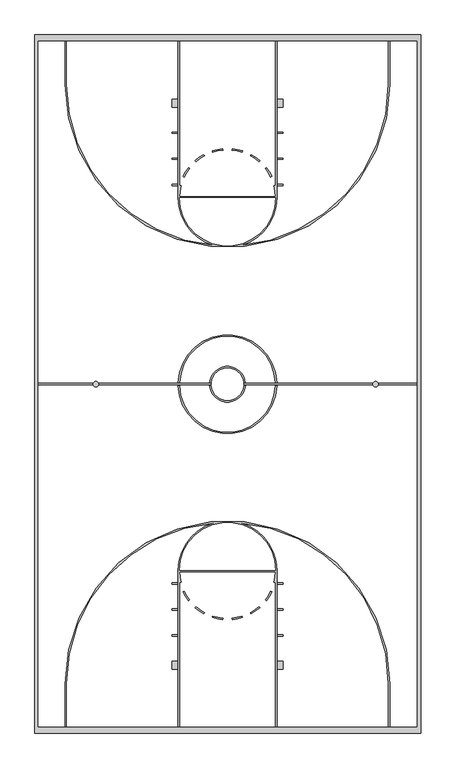
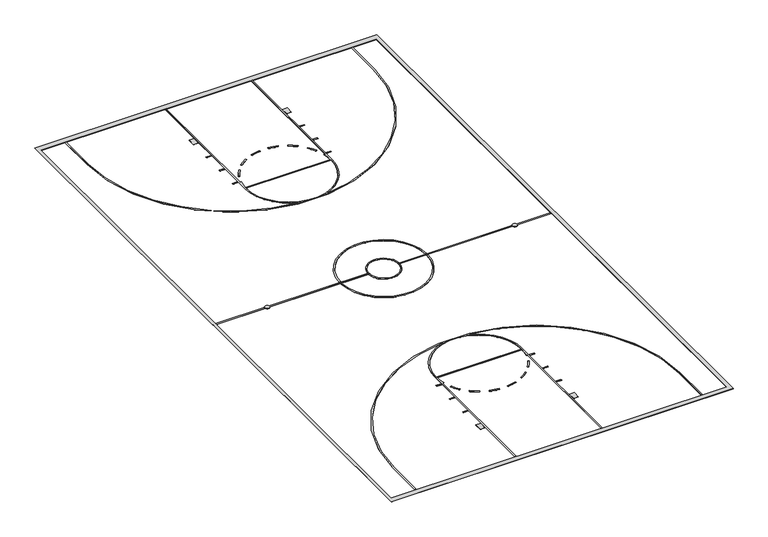
"""IFC4 building model written with IfcOpenShell, lengths in millimetres: proxy geometry."""

from ifc_helpers import new_model, si_unit, point, frame_2d, origin, origin_with_axes, place, context, project, spatial, polyline, circle_curve, trimmed, segment, composite_curve, outline, extrude, source, transform, mapped, element, save


def generic_models_25fa9269(model_context):
    return source(origin(), model_context, "Body", "SweptSolid", [
        extrude(outline(composite_curve([segment(trimmed(circle_curve(frame_2d((-4841.5204896, -1778.7417923)), 101.6), [point((-4739.9204896, -1778.7417923))], [point((-4943.1204896, -1778.7417923))], False, "CARTESIAN"), True, "CONTINUOUS"), segment(trimmed(circle_curve(frame_2d((-4841.5204896, -1778.7417923)), 101.6), [point((-4943.1204896, -1778.7417923))], [point((-4739.9204896, -1778.7417923))], False, "CARTESIAN"), True, "CONTINUOUS")], self_intersect=False)), origin_with_axes(), (0.0, 0.0, 1.0), 6.35),
        extrude(outline(composite_curve([segment(trimmed(circle_curve(frame_2d((5521.6795079, -1778.7417923)), 101.6), [point((5420.0795079, -1778.7417923))], [point((5623.2795078, -1778.7417923))], False, "CARTESIAN"), True, "CONTINUOUS"), segment(trimmed(circle_curve(frame_2d((5521.6795079, -1778.7417923)), 101.6), [point((5623.2795078, -1778.7417923))], [point((5420.0795079, -1778.7417923))], False, "CARTESIAN"), True, "CONTINUOUS")], self_intersect=False)), origin_with_axes(), (0.0, 0.0, 1.0), 6.35),
        extrude(outline(polyline([(-1818.920543, -12332.4417901), (-2022.120543, -12332.4417901), (-2022.120543, -12027.6417901), (-1818.920543, -12027.6417901), (-1818.920543, -12332.4417901)])), origin_with_axes(), (0.0, 0.0, 1.0), 6.35),
        extrude(outline(polyline([(-2022.120543, -11113.2417901), (-2022.120543, -11062.4417901), (-1818.920543, -11062.4417901), (-1818.920543, -11113.2417901), (-2022.120543, -11113.2417901)])), origin_with_axes(), (0.0, 0.0, 1.0), 6.35),
        extrude(outline(polyline([(-2022.120543, -10148.0417901), (-2022.120543, -10097.2417901), (-1818.920543, -10097.2417901), (-1818.920543, -10148.0417901), (-2022.120543, -10148.0417901)])), origin_with_axes(), (0.0, 0.0, 1.0), 6.35),
        extrude(outline(polyline([(-2022.120543, -9182.8417901), (-2022.120543, -9132.0417901), (-1818.920543, -9132.0417901), (-1818.920543, -9182.8417901), (-2022.120543, -9182.8417901)])), origin_with_axes(), (0.0, 0.0, 1.0), 6.35),
        extrude(outline(composite_curve([segment(trimmed(circle_curve(frame_2d((35.279457, -8674.8417901)), 1828.8), [point((-1409.6405675, -9795.8750469))], [point((-1611.9297378, -9469.3298696))], False, "CARTESIAN"), True, "CONTINUOUS"), segment(polyline([(-1611.9297378, -9469.3298696), (-1566.1739269, -9447.2607563)]), True, "CONTINUOUS"), segment(trimmed(circle_curve(frame_2d((35.279457, -8674.8417901)), 1778.0), [point((-1566.1739269, -9447.2607563))], [point((-1369.5039002, -9764.7352342))], True, "CARTESIAN"), True, "CONTINUOUS"), segment(polyline([(-1369.5039002, -9764.7352342), (-1409.6405675, -9795.8750469)]), True, "CONTINUOUS")], self_intersect=False)), origin_with_axes(), (0.0, 0.0, 1.0), 6.35),
        extrude(outline(composite_curve([segment(trimmed(circle_curve(frame_2d((35.279457, -8674.8417901)), 1828.8), [point((-844.9215118, -10277.8875457))], [point((-1165.2953198, -10054.3814399))], False, "CARTESIAN"), True, "CONTINUOUS"), segment(polyline([(-1165.2953198, -10054.3814399), (-1131.9460204, -10016.0608941)]), True, "CONTINUOUS"), segment(trimmed(circle_curve(frame_2d((35.279457, -8674.8417901)), 1778.0), [point((-1131.9460204, -10016.0608941))], [point((-820.4714848, -10233.358497))], True, "CARTESIAN"), True, "CONTINUOUS"), segment(polyline([(-820.4714848, -10233.358497), (-844.9215118, -10277.8875457)]), True, "CONTINUOUS")], self_intersect=False)), origin_with_axes(), (0.0, 0.0, 1.0), 6.35),
        extrude(outline(composite_curve([segment(trimmed(circle_curve(frame_2d((35.279457, -8674.8417901)), 1828.8), [point((-142.520543, -10494.9782136))], [point((-526.7164474, -10415.1492467))], False, "CARTESIAN"), True, "CONTINUOUS"), segment(polyline([(-526.7164474, -10415.1492467), (-511.1054501, -10366.8073729)]), True, "CONTINUOUS"), segment(trimmed(circle_curve(frame_2d((35.279457, -8674.8417901)), 1778.0), [point((-511.1054501, -10366.8073729))], [point((-137.5816541, -10444.4188685))], True, "CARTESIAN"), True, "CONTINUOUS"), segment(polyline([(-137.5816541, -10444.4188685), (-142.520543, -10494.9782136)]), True, "CONTINUOUS")], self_intersect=False)), origin_with_axes(), (0.0, 0.0, 1.0), 6.35),
        extrude(outline(composite_curve([segment(trimmed(circle_curve(frame_2d((35.279457, -8674.8417901)), 1828.8), [point((597.2753614, -10415.1492467))], [point((213.079457, -10494.9782136))], False, "CARTESIAN"), True, "CONTINUOUS"), segment(polyline([(213.079457, -10494.9782136), (208.1405681, -10444.4188685)]), True, "CONTINUOUS"), segment(trimmed(circle_curve(frame_2d((35.279457, -8674.8417901)), 1778.0), [point((208.1405681, -10444.4188685))], [point((581.6643641, -10366.8073729))], True, "CARTESIAN"), True, "CONTINUOUS"), segment(polyline([(581.6643641, -10366.8073729), (597.2753614, -10415.1492467)]), True, "CONTINUOUS")], self_intersect=False)), origin_with_axes(), (0.0, 0.0, 1.0), 6.35),
        extrude(outline(composite_curve([segment(trimmed(circle_curve(frame_2d((35.279457, -8674.8417901)), 1828.8), [point((1235.8542338, -10054.3814399))], [point((915.4804258, -10277.8875458))], False, "CARTESIAN"), True, "CONTINUOUS"), segment(polyline([(915.4804258, -10277.8875458), (891.0303989, -10233.358497)]), True, "CONTINUOUS"), segment(trimmed(circle_curve(frame_2d((35.279457, -8674.8417901)), 1778.0), [point((891.0303989, -10233.358497))], [point((1202.5049345, -10016.0608941))], True, "CARTESIAN"), True, "CONTINUOUS"), segment(polyline([(1202.5049345, -10016.0608941), (1235.8542338, -10054.3814399)]), True, "CONTINUOUS")], self_intersect=False)), origin_with_axes(), (0.0, 0.0, 1.0), 6.35),
        extrude(outline(composite_curve([segment(trimmed(circle_curve(frame_2d((35.279457, -8674.8417901)), 1828.8), [point((1682.4886518, -9469.3298696))], [point((1480.1994815, -9795.8750469))], False, "CARTESIAN"), True, "CONTINUOUS"), segment(polyline([(1480.1994815, -9795.8750469), (1440.0628142, -9764.7352342)]), True, "CONTINUOUS"), segment(trimmed(circle_curve(frame_2d((35.279457, -8674.8417901)), 1778.0), [point((1440.0628142, -9764.7352342))], [point((1636.7328409, -9447.2607563))], True, "CARTESIAN"), True, "CONTINUOUS"), segment(polyline([(1636.7328409, -9447.2607563), (1682.4886518, -9469.3298696)]), True, "CONTINUOUS")], self_intersect=False)), origin_with_axes(), (0.0, 0.0, 1.0), 6.35),
        extrude(outline(polyline([(2092.679457, -12332.4417901), (1889.479457, -12332.4417901), (1889.479457, -12027.6417901), (2092.679457, -12027.6417901), (2092.679457, -12332.4417901)])), origin_with_axes(), (0.0, 0.0, 1.0), 6.35),
        extrude(outline(polyline([(2092.679457, -11113.2417901), (1889.479457, -11113.2417901), (1889.479457, -11062.4417901), (2092.679457, -11062.4417901), (2092.679457, -11113.2417901)])), origin_with_axes(), (0.0, 0.0, 1.0), 6.35),
        extrude(outline(polyline([(2092.679457, -10148.0417901), (1889.479457, -10148.0417901), (1889.479457, -10097.2417901), (2092.679457, -10097.2417901), (2092.679457, -10148.0417901)])), origin_with_axes(), (0.0, 0.0, 1.0), 6.35),
        extrude(outline(polyline([(2092.679457, -9182.8417901), (1889.479457, -9182.8417901), (1889.479457, -9132.0417901), (2092.679457, -9132.0417901), (2092.679457, -9182.8417901)])), origin_with_axes(), (0.0, 0.0, 1.0), 6.35),
        extrude(outline(composite_curve([segment(trimmed(circle_curve(frame_2d((35.279457, -8674.8417901)), 1828.8), [point((-1793.520543, -8674.8417901))], [point((-475.0925757, -6918.7011841))], False, "CARTESIAN"), True, "CONTINUOUS"), segment(trimmed(circle_curve(frame_2d((35.279457, -12865.8417901)), 5969.0), [point((-475.0925757, -6918.7011841))], [point((-5933.720543, -12865.8417901))], True, "CARTESIAN"), True, "CONTINUOUS"), segment(polyline([(-5933.720543, -12865.8417901), (-5933.720543, -14466.0417901), (-5984.520543, -14466.0417901), (-5984.520543, -12865.8417901)]), True, "CONTINUOUS"), segment(trimmed(circle_curve(frame_2d((35.279457, -12865.8417901)), 6019.8), [point((-5984.520543, -12865.8417901))], [point((6055.079457, -12865.8417901))], False, "CARTESIAN"), True, "CONTINUOUS"), segment(polyline([(6055.079457, -12865.8417901), (6055.079457, -14466.0417901), (6004.279457, -14466.0417901), (6004.279457, -12865.8417901)]), True, "CONTINUOUS"), segment(trimmed(circle_curve(frame_2d((35.279457, -12865.8417901)), 5969.0), [point((6004.279457, -12865.8417901))], [point((545.6514897, -6918.7011841))], True, "CARTESIAN"), True, "CONTINUOUS"), segment(trimmed(circle_curve(frame_2d((35.279457, -8674.8417901)), 1828.8), [point((545.6514897, -6918.7011841))], [point((1864.079457, -8674.8417901))], False, "CARTESIAN"), True, "CONTINUOUS"), segment(polyline([(1864.079457, -8674.8417901), (1864.079457, -14466.0417901), (1813.279457, -14466.0417901), (1813.279457, -9102.8901986)]), True, "CONTINUOUS"), segment(trimmed(circle_curve(frame_2d((35.279457, -8674.8417901)), 1828.8), [point((1813.279457, -9102.8901986))], [point((1806.2093671, -9131.2590265))], False, "CARTESIAN"), True, "CONTINUOUS"), segment(polyline([(1806.2093671, -9131.2590265), (1757.0168696, -9118.58077)]), True, "CONTINUOUS"), segment(trimmed(circle_curve(frame_2d((35.279457, -8674.8417901)), 1778.0), [point((1757.0168696, -9118.58077))], [point((1812.5535946, -8725.6417901))], True, "CARTESIAN"), True, "CONTINUOUS"), segment(polyline([(1812.5535946, -8725.6417901), (-1741.9946805, -8725.6417901)]), True, "CONTINUOUS"), segment(trimmed(circle_curve(frame_2d((35.279457, -8674.8417901)), 1778.0), [point((-1741.9946805, -8725.6417901))], [point((-1686.4579555, -9118.58077))], True, "CARTESIAN"), True, "CONTINUOUS"), segment(polyline([(-1686.4579555, -9118.58077), (-1735.6504531, -9131.2590265)]), True, "CONTINUOUS"), segment(trimmed(circle_curve(frame_2d((35.279457, -8674.8417901)), 1828.8), [point((-1735.6504531, -9131.2590265))], [point((-1742.720543, -9102.8901986))], False, "CARTESIAN"), True, "CONTINUOUS"), segment(polyline([(-1742.720543, -9102.8901986), (-1742.720543, -14466.0417901), (-1793.520543, -14466.0417901), (-1793.520543, -8674.8417901)]), True, "CONTINUOUS")], self_intersect=False), holes=[composite_curve([segment(polyline([(-1742.720543, -8674.8417901), (1813.279457, -8674.8417901)]), True, "CONTINUOUS"), segment(trimmed(circle_curve(frame_2d((35.279457, -8674.8417901)), 1778.0), [point((1813.279457, -8674.8417901))], [point((-1742.720543, -8674.8417901))], True, "CARTESIAN"), True, "CONTINUOUS")], self_intersect=False)]), origin_with_axes(), (0.0, 0.0, 1.0), 6.35),
        extrude(outline(polyline([(-2022.120543, 8470.1582099), (-2022.120543, 8774.9582099), (-1818.920543, 8774.9582099), (-1818.920543, 8470.1582099), (-2022.120543, 8470.1582099)])), origin_with_axes(), (0.0, 0.0, 1.0), 6.35),
        extrude(outline(polyline([(-2022.120543, 7504.9582099), (-2022.120543, 7555.7582099), (-1818.920543, 7555.7582099), (-1818.920543, 7504.9582099), (-2022.120543, 7504.9582099)])), origin_with_axes(), (0.0, 0.0, 1.0), 6.35),
        extrude(outline(polyline([(-1818.920543, 6539.7582099), (-2022.120543, 6539.7582099), (-2022.120543, 6590.5582099), (-1818.920543, 6590.5582099), (-1818.920543, 6539.7582099)])), origin_with_axes(), (0.0, 0.0, 1.0), 6.35),
        extrude(outline(polyline([(-1818.920543, 5574.5582099), (-2022.120543, 5574.5582099), (-2022.120543, 5625.3582099), (-1818.920543, 5625.3582099), (-1818.920543, 5574.5582099)])), origin_with_axes(), (0.0, 0.0, 1.0), 6.35),
        extrude(outline(composite_curve([segment(polyline([(-1566.1739269, 5889.777176), (-1611.9297378, 5911.8462894)]), True, "CONTINUOUS"), segment(trimmed(circle_curve(frame_2d((35.279457, 5117.3582099)), 1828.8), [point((-1611.9297378, 5911.8462894))], [point((-1409.6405675, 6238.3914666))], False, "CARTESIAN"), True, "CONTINUOUS"), segment(polyline([(-1409.6405675, 6238.3914666), (-1369.5039002, 6207.2516539)]), True, "CONTINUOUS"), segment(trimmed(circle_curve(frame_2d((35.279457, 5117.3582099)), 1778.0), [point((-1369.5039002, 6207.2516539))], [point((-1566.1739269, 5889.777176))], True, "CARTESIAN"), True, "CONTINUOUS")], self_intersect=False)), origin_with_axes(), (0.0, 0.0, 1.0), 6.35),
        extrude(outline(composite_curve([segment(polyline([(-1131.9460204, 6458.5773138), (-1165.2953198, 6496.8978596)]), True, "CONTINUOUS"), segment(trimmed(circle_curve(frame_2d((35.279457, 5117.3582099)), 1828.8), [point((-1165.2953198, 6496.8978596))], [point((-844.9215117, 6720.4039655))], False, "CARTESIAN"), True, "CONTINUOUS"), segment(polyline([(-844.9215117, 6720.4039655), (-820.4714848, 6675.8749167)]), True, "CONTINUOUS"), segment(trimmed(circle_curve(frame_2d((35.279457, 5117.3582099)), 1778.0), [point((-820.4714848, 6675.8749167))], [point((-1131.9460204, 6458.5773138))], True, "CARTESIAN"), True, "CONTINUOUS")], self_intersect=False)), origin_with_axes(), (0.0, 0.0, 1.0), 6.35),
        extrude(outline(composite_curve([segment(polyline([(-511.10545, 6809.3237927), (-526.7164474, 6857.6656664)]), True, "CONTINUOUS"), segment(trimmed(circle_curve(frame_2d((35.279457, 5117.3582099)), 1828.8), [point((-526.7164474, 6857.6656664))], [point((-142.520543, 6937.4946333))], False, "CARTESIAN"), True, "CONTINUOUS"), segment(polyline([(-142.520543, 6937.4946333), (-137.5816541, 6886.9352882)]), True, "CONTINUOUS"), segment(trimmed(circle_curve(frame_2d((35.279457, 5117.3582099)), 1778.0), [point((-137.5816541, 6886.9352882))], [point((-511.10545, 6809.3237927))], True, "CARTESIAN"), True, "CONTINUOUS")], self_intersect=False)), origin_with_axes(), (0.0, 0.0, 1.0), 6.35),
        extrude(outline(composite_curve([segment(polyline([(208.1405681, 6886.9352882), (213.079457, 6937.4946333)]), True, "CONTINUOUS"), segment(trimmed(circle_curve(frame_2d((35.279457, 5117.3582099)), 1828.8), [point((213.079457, 6937.4946333))], [point((597.2753614, 6857.6656664))], False, "CARTESIAN"), True, "CONTINUOUS"), segment(polyline([(597.2753614, 6857.6656664), (581.6643641, 6809.3237926)]), True, "CONTINUOUS"), segment(trimmed(circle_curve(frame_2d((35.279457, 5117.3582099)), 1778.0), [point((581.6643641, 6809.3237926))], [point((208.1405681, 6886.9352882))], True, "CARTESIAN"), True, "CONTINUOUS")], self_intersect=False)), origin_with_axes(), (0.0, 0.0, 1.0), 6.35),
        extrude(outline(composite_curve([segment(polyline([(891.0303989, 6675.8749167), (915.4804258, 6720.4039655)]), True, "CONTINUOUS"), segment(trimmed(circle_curve(frame_2d((35.279457, 5117.3582099)), 1828.8), [point((915.4804258, 6720.4039655))], [point((1235.8542338, 6496.8978596))], False, "CARTESIAN"), True, "CONTINUOUS"), segment(polyline([(1235.8542338, 6496.8978596), (1202.5049345, 6458.5773138)]), True, "CONTINUOUS"), segment(trimmed(circle_curve(frame_2d((35.279457, 5117.3582099)), 1778.0), [point((1202.5049345, 6458.5773138))], [point((891.0303989, 6675.8749167))], True, "CARTESIAN"), True, "CONTINUOUS")], self_intersect=False)), origin_with_axes(), (0.0, 0.0, 1.0), 6.35),
        extrude(outline(composite_curve([segment(polyline([(1440.0628142, 6207.2516539), (1480.1994815, 6238.3914666)]), True, "CONTINUOUS"), segment(trimmed(circle_curve(frame_2d((35.279457, 5117.3582099)), 1828.8), [point((1480.1994815, 6238.3914666))], [point((1682.4886518, 5911.8462894))], False, "CARTESIAN"), True, "CONTINUOUS"), segment(polyline([(1682.4886518, 5911.8462894), (1636.7328409, 5889.777176)]), True, "CONTINUOUS"), segment(trimmed(circle_curve(frame_2d((35.279457, 5117.3582099)), 1778.0), [point((1636.7328409, 5889.777176))], [point((1440.0628142, 6207.2516539))], True, "CARTESIAN"), True, "CONTINUOUS")], self_intersect=False)), origin_with_axes(), (0.0, 0.0, 1.0), 6.35),
        extrude(outline(polyline([(2092.679457, 5574.5582099), (1889.479457, 5574.5582099), (1889.479457, 5625.3582099), (2092.679457, 5625.3582099), (2092.679457, 5574.5582099)])), origin_with_axes(), (0.0, 0.0, 1.0), 6.35),
        extrude(outline(polyline([(2092.679457, 6539.7582099), (1889.479457, 6539.7582099), (1889.479457, 6590.5582099), (2092.679457, 6590.5582099), (2092.679457, 6539.7582099)])), origin_with_axes(), (0.0, 0.0, 1.0), 6.35),
        extrude(outline(polyline([(1889.479457, 7504.9582099), (1889.479457, 7555.7582099), (2092.679457, 7555.7582099), (2092.679457, 7504.9582099), (1889.479457, 7504.9582099)])), origin_with_axes(), (0.0, 0.0, 1.0), 6.35),
        extrude(outline(polyline([(1889.479457, 8470.1582099), (1889.479457, 8774.9582099), (2092.679457, 8774.9582099), (2092.679457, 8470.1582099), (1889.479457, 8470.1582099)])), origin_with_axes(), (0.0, 0.0, 1.0), 6.35),
        extrude(outline(composite_curve([segment(polyline([(-1793.520543, 5117.3582099), (-1793.520543, 10908.5582099), (-1742.720543, 10908.5582099), (-1742.720543, 5545.4066183)]), True, "CONTINUOUS"), segment(trimmed(circle_curve(frame_2d((35.279457, 5117.3582099)), 1828.8), [point((-1742.720543, 5545.4066183))], [point((-1735.650453, 5573.7754462))], False, "CARTESIAN"), True, "CONTINUOUS"), segment(polyline([(-1735.650453, 5573.7754462), (-1686.4579555, 5561.0971897)]), True, "CONTINUOUS"), segment(trimmed(circle_curve(frame_2d((35.279457, 5117.3582099)), 1778.0), [point((-1686.4579555, 5561.0971897))], [point((-1741.9946805, 5168.1582099))], True, "CARTESIAN"), True, "CONTINUOUS"), segment(polyline([(-1741.9946805, 5168.1582099), (1812.5535946, 5168.1582099)]), True, "CONTINUOUS"), segment(trimmed(circle_curve(frame_2d((35.279457, 5117.3582099)), 1778.0), [point((1812.5535946, 5168.1582099))], [point((1757.0168696, 5561.0971897))], True, "CARTESIAN"), True, "CONTINUOUS"), segment(polyline([(1757.0168696, 5561.0971897), (1806.2093671, 5573.7754462)]), True, "CONTINUOUS"), segment(trimmed(circle_curve(frame_2d((35.279457, 5117.3582099)), 1828.8), [point((1806.2093671, 5573.7754462))], [point((1813.279457, 5545.4066183))], False, "CARTESIAN"), True, "CONTINUOUS"), segment(polyline([(1813.279457, 5545.4066183), (1813.279457, 10908.5582099), (1864.079457, 10908.5582099), (1864.079457, 5117.3582099)]), True, "CONTINUOUS"), segment(trimmed(circle_curve(frame_2d((35.279457, 5117.3582099)), 1828.8), [point((1864.079457, 5117.3582099))], [point((545.6514897, 3361.2176038))], False, "CARTESIAN"), True, "CONTINUOUS"), segment(trimmed(circle_curve(frame_2d((35.279457, 9308.3582099)), 5969.0), [point((545.6514897, 3361.2176038))], [point((6004.279457, 9308.3582099))], True, "CARTESIAN"), True, "CONTINUOUS"), segment(polyline([(6004.279457, 9308.3582099), (6004.279457, 10908.5582099), (6055.079457, 10908.5582099), (6055.079457, 9308.3582099)]), True, "CONTINUOUS"), segment(trimmed(circle_curve(frame_2d((35.279457, 9308.3582099)), 6019.8), [point((6055.079457, 9308.3582099))], [point((-5984.520543, 9308.3582099))], False, "CARTESIAN"), True, "CONTINUOUS"), segment(polyline([(-5984.520543, 9308.3582099), (-5984.520543, 10908.5582099), (-5933.720543, 10908.5582099), (-5933.720543, 9308.3582099)]), True, "CONTINUOUS"), segment(trimmed(circle_curve(frame_2d((35.279457, 9308.3582099)), 5969.0), [point((-5933.720543, 9308.3582099))], [point((-475.0925757, 3361.2176038))], True, "CARTESIAN"), True, "CONTINUOUS"), segment(trimmed(circle_curve(frame_2d((35.279457, 5117.3582099)), 1828.8), [point((-475.0925757, 3361.2176038))], [point((-1793.520543, 5117.3582099))], False, "CARTESIAN"), True, "CONTINUOUS")], self_intersect=False), holes=[composite_curve([segment(polyline([(1813.279457, 5117.3582099), (-1742.720543, 5117.3582099)]), True, "CONTINUOUS"), segment(trimmed(circle_curve(frame_2d((35.279457, 5117.3582099)), 1778.0), [point((-1742.720543, 5117.3582099))], [point((1813.279457, 5117.3582099))], True, "CARTESIAN"), True, "CONTINUOUS")], self_intersect=False)]), origin_with_axes(), (0.0, 0.0, 1.0), 6.35),
        extrude(outline(polyline([(7045.679457, -1804.1417901), (644.241871, -1804.1417901), (644.241871, -1753.3417901), (7045.679457, -1753.3417901), (7045.679457, -1804.1417901)])), origin_with_axes(), (0.0, 0.0, 1.0), 6.35),
        extrude(outline(polyline([(-569.8458027, -1804.1417901), (-6975.120543, -1804.1417901), (-6975.120543, -1753.3417901), (-569.8458027, -1753.3417901), (-569.8458027, -1804.1417901)])), origin_with_axes(), (0.0, 0.0, 1.0), 6.35),
        extrude(outline(composite_curve([segment(trimmed(circle_curve(frame_2d((35.279457, -1781.2154034)), 1828.8), [point((1863.4408285, -1829.5417901))], [point((-1792.8819145, -1829.5417901))], False, "CARTESIAN"), True, "CONTINUOUS"), segment(polyline([(-1792.8819145, -1829.5417901), (-1742.0636613, -1829.5417901)]), True, "CONTINUOUS"), segment(trimmed(circle_curve(frame_2d((35.279457, -1781.2154034)), 1778.0), [point((-1742.0636613, -1829.5417901))], [point((1812.6225754, -1829.5417901))], True, "CARTESIAN"), True, "CONTINUOUS"), segment(polyline([(1812.6225754, -1829.5417901), (1863.4408285, -1829.5417901)]), True, "CONTINUOUS")], self_intersect=False)), origin_with_axes(), (0.0, 0.0, 1.0), 6.35),
        extrude(outline(composite_curve([segment(polyline([(1863.3033524, -1727.9417901), (1812.4811682, -1727.9417901)]), True, "CONTINUOUS"), segment(trimmed(circle_curve(frame_2d((35.279457, -1781.2154034)), 1778.0), [point((1812.4811682, -1727.9417901))], [point((-1741.9222541, -1727.9417901))], True, "CARTESIAN"), True, "CONTINUOUS"), segment(polyline([(-1741.9222541, -1727.9417901), (-1792.7444384, -1727.9417901)]), True, "CONTINUOUS"), segment(trimmed(circle_curve(frame_2d((35.279457, -1781.2154034)), 1828.8), [point((-1792.7444384, -1727.9417901))], [point((1863.3033524, -1727.9417901))], False, "CARTESIAN"), True, "CONTINUOUS")], self_intersect=False)), origin_with_axes(), (0.0, 0.0, 1.0), 6.35),
        extrude(outline(composite_curve([segment(trimmed(circle_curve(frame_2d((35.279457, -1781.2154034)), 660.4), [point((693.9088827, -1829.5417901))], [point((-623.3499687, -1829.5417901))], False, "CARTESIAN"), True, "CONTINUOUS"), segment(polyline([(-623.3499687, -1829.5417901), (-572.401973, -1829.5417901)]), True, "CONTINUOUS"), segment(trimmed(circle_curve(frame_2d((35.279457, -1781.2154034)), 609.6), [point((-572.401973, -1829.5417901))], [point((642.960887, -1829.5417901))], True, "CARTESIAN"), True, "CONTINUOUS"), segment(polyline([(642.960887, -1829.5417901), (693.9088827, -1829.5417901)]), True, "CONTINUOUS")], self_intersect=False)), origin_with_axes(), (0.0, 0.0, 1.0), 6.35),
        extrude(outline(composite_curve([segment(trimmed(circle_curve(frame_2d((35.279457, -1781.2154034)), 660.4), [point((-622.9682791, -1727.9417901))], [point((693.5271931, -1727.9417901))], False, "CARTESIAN"), True, "CONTINUOUS"), segment(polyline([(693.5271931, -1727.9417901), (642.5471757, -1727.9417901)]), True, "CONTINUOUS"), segment(trimmed(circle_curve(frame_2d((35.279457, -1781.2154034)), 609.6), [point((642.5471757, -1727.9417901))], [point((-571.9882617, -1727.9417901))], True, "CARTESIAN"), True, "CONTINUOUS"), segment(polyline([(-571.9882617, -1727.9417901), (-622.9682791, -1727.9417901)]), True, "CONTINUOUS")], self_intersect=False)), origin_with_axes(), (0.0, 0.0, 1.0), 6.35),
        extrude(outline(polyline([(-7102.120543, 11150.6423423), (7206.1772687, 11150.6423423), (7206.1772687, -14694.6417901), (-7102.120543, -14694.6417901), (-7102.120543, 11150.6423423)]), holes=[polyline([(-6975.120543, 10908.5582099), (-6975.120543, -14466.0417901), (7045.679457, -14466.0417901), (7045.679457, 10908.5582099), (-6975.120543, 10908.5582099)])]), origin_with_axes(), (0.0, 0.0, 1.0), 6.35),
    ])


if __name__ == "__main__":
    model = new_model("IFC4")
    model_context = context("Model", 3, world=origin())
    ifc_project = project(units=[si_unit("LENGTHUNIT", "METRE", prefix="MILLI")], contexts=[model_context])
    site = spatial("IfcSite", under=ifc_project)
    building = spatial("IfcBuilding", under=site)
    placement = place(None, origin())
    generic_models_shape = generic_models_25fa9269(model_context)
    element("IfcBuildingElementProxy", 1, Name="Generic Models", at=placement, inside=building, context=model_context, shape_type="MappedRepresentation", body=[
        mapped(generic_models_shape, transform((0.0, 0.0, 0.0), x_axis=(1.0, 0.0, 0.0), y_axis=(0.0, 1.0, 0.0), z_axis=(0.0, 0.0, 1.0))),
    ])
    save(model, "model.ifc")
